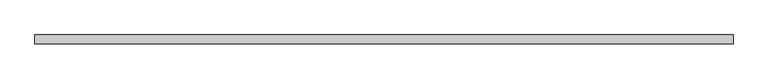
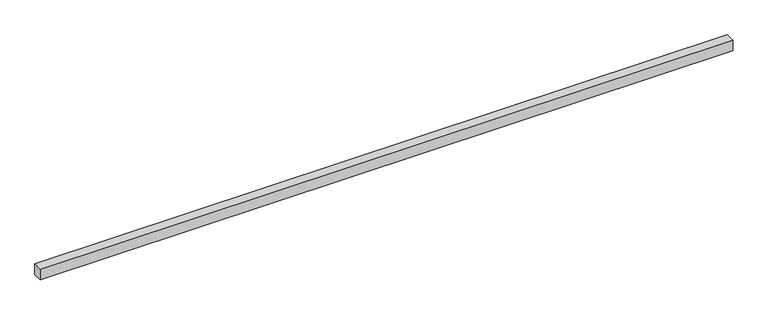
"""IFC4 building model written with IfcOpenShell, lengths in millimetres: proxy geometry."""

from ifc_helpers import new_model, si_unit, origin, origin_with_axes, place, context, project, spatial, polyline, outline, extrude, source, transform, mapped, element, save


def generic_models_5859dc61(model_context):
    return source(origin(), model_context, "Body", "SweptSolid", [
        extrude(outline(polyline([(6150.0, -40.0), (0.0, -40.0), (0.0, 40.0), (6150.0, 40.0), (6150.0, -40.0)])), origin_with_axes(), (0.0, 0.0, 1.0), 100.0),
    ])


if __name__ == "__main__":
    model = new_model("IFC4")
    model_context = context("Model", 3, world=origin())
    ifc_project = project(units=[si_unit("LENGTHUNIT", "METRE", prefix="MILLI")], contexts=[model_context])
    site = spatial("IfcSite", under=ifc_project)
    building = spatial("IfcBuilding", under=site)
    placement = place(None, origin())
    generic_models_shape = generic_models_5859dc61(model_context)
    element("IfcBuildingElementProxy", 1, Name="Generic Models", at=placement, inside=building, context=model_context, shape_type="MappedRepresentation", body=[
        mapped(generic_models_shape, transform((0.0, 0.0, 0.0), x_axis=(1.0, 0.0, 0.0), y_axis=(0.0, 1.0, 0.0), z_axis=(0.0, 0.0, 1.0))),
    ])
    save(model, "model.ifc")
